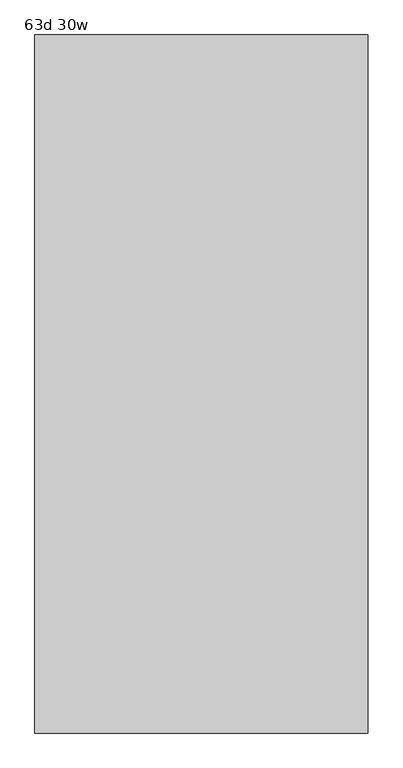
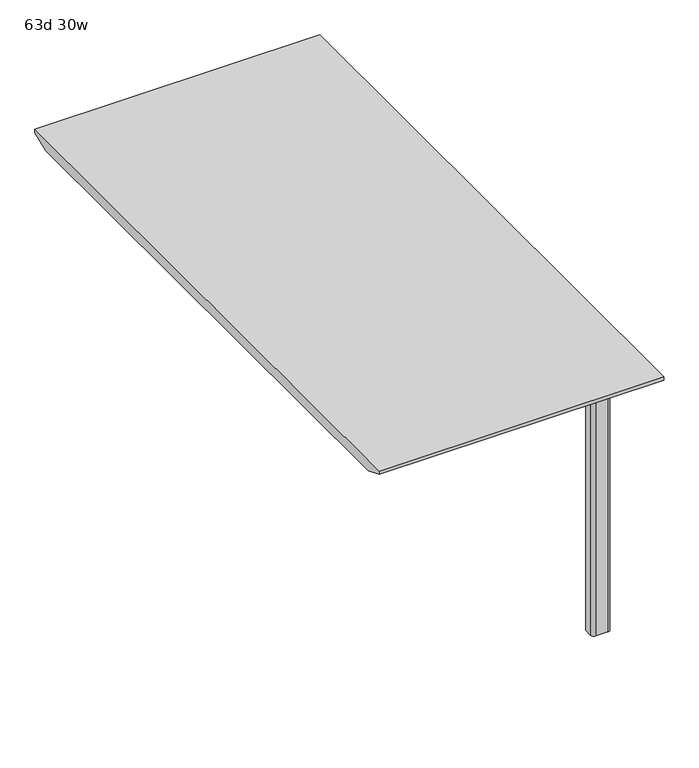
"""IFC4 building model written with IfcOpenShell, lengths in millimetres: furniture geometry, 63d 30w."""

from ifc_helpers import new_model, si_unit, point, frame_2d, origin, origin_with_axes, place, context, project, spatial, polyline, circle_curve, trimmed, segment, composite_curve, outline, extrude, faceted_brep, source, transform, mapped, element, save


def furniture_63d_30w_b5fd4e80(model_context):
    return source(origin(), model_context, "Body", "SolidModel", [
        extrude(outline(composite_curve([segment(polyline([(508.0, -320.4034766), (457.2, -320.4034766), (457.2, -298.1784766)]), True, "CONTINUOUS"), segment(trimmed(circle_curve(frame_2d((466.725, -298.1784766)), 9.525), [point((457.2, -298.1784766))], [point((466.725, -288.6534766))], False, "CARTESIAN"), True, "CONTINUOUS"), segment(polyline([(466.725, -288.6534766), (498.475, -288.6534766)]), True, "CONTINUOUS"), segment(trimmed(circle_curve(frame_2d((498.475, -298.1784766)), 9.525), [point((498.475, -288.6534766))], [point((508.0, -298.1784766))], False, "CARTESIAN"), True, "CONTINUOUS"), segment(polyline([(508.0, -298.1784766), (508.0, -320.4034766)]), True, "CONTINUOUS")], self_intersect=False)), origin_with_axes(), (0.0, 0.0, 1.0), 711.2),
        extrude(outline(composite_curve([segment(polyline([(508.0, -1674.5409766), (508.0, -1696.7659766)]), True, "CONTINUOUS"), segment(trimmed(circle_curve(frame_2d((498.475, -1696.7659766)), 9.525), [point((508.0, -1696.7659766))], [point((498.475, -1706.2909766))], False, "CARTESIAN"), True, "CONTINUOUS"), segment(polyline([(498.475, -1706.2909766), (466.725, -1706.2909766)]), True, "CONTINUOUS"), segment(trimmed(circle_curve(frame_2d((466.725, -1696.7659766)), 9.525), [point((466.725, -1706.2909766))], [point((457.2, -1696.7659766))], False, "CARTESIAN"), True, "CONTINUOUS"), segment(polyline([(457.2, -1696.7659766), (457.2, -1674.5409766), (508.0, -1674.5409766)]), True, "CONTINUOUS")], self_intersect=False)), origin_with_axes(), (0.0, 0.0, 1.0), 711.2),
        faceted_brep([(596.9, -199.7534766, 741.3625), (-165.1, -199.7534766, 741.3625), (-165.1, -1795.1909766, 741.3625), (596.9, -1795.1909766, 741.3625), (-165.1, -1744.3909766, 711.2), (-165.1, -250.5534766, 711.2), (546.1, -250.5534766, 711.2), (546.1, -1744.3909766, 711.2), (596.9, -199.7534766, 731.8375), (-165.1, -199.7534766, 731.8375), (-165.1, -1795.1909766, 731.8375), (596.9, -1795.1909766, 731.8375)], [[[0, 1, 2, 3]], [[4, 5, 6, 7]], [[1, 0, 8, 9]], [[2, 1, 9, 5, 4, 10]], [[3, 2, 10, 11]], [[0, 3, 11, 8]], [[10, 4, 7, 11]], [[9, 8, 6, 5]], [[7, 6, 8, 11]]]),
    ])


if __name__ == "__main__":
    model = new_model("IFC4")
    model_context = context("Model", 3, world=origin())
    ifc_project = project(units=[si_unit("LENGTHUNIT", "METRE", prefix="MILLI")], contexts=[model_context])
    site = spatial("IfcSite", under=ifc_project)
    building = spatial("IfcBuilding", under=site)
    placement = place(None, origin())
    furniture_63d_30w_shape = furniture_63d_30w_b5fd4e80(model_context)
    element("IfcFurniture", 1, ObjectType="63d 30w", at=placement, inside=building, context=model_context, shape_type="MappedRepresentation", body=[
        mapped(furniture_63d_30w_shape, transform((0.0, 0.0, 0.0), x_axis=(1.0, 0.0, 0.0), y_axis=(0.0, 1.0, 0.0), z_axis=(0.0, 0.0, 1.0))),
    ])
    save(model, "model.ifc")
